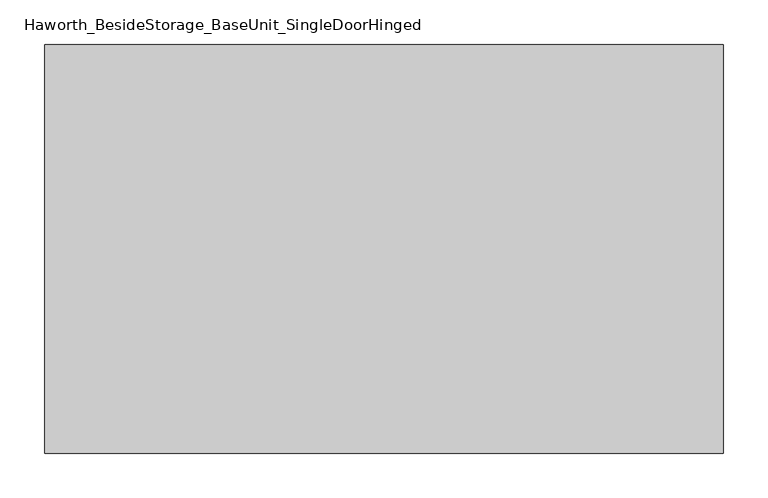
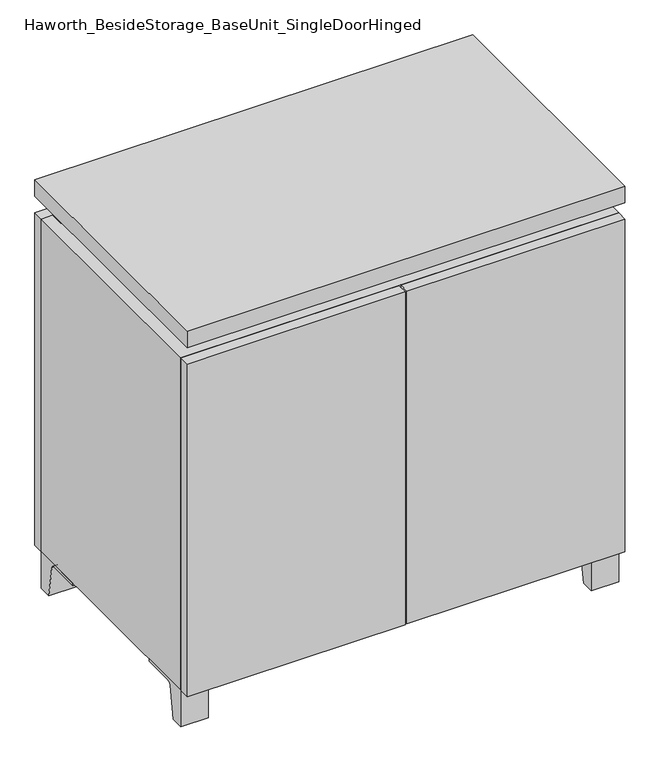
"""IFC4 building model written with IfcOpenShell, lengths in millimetres: furniture geometry, Haworth_BesideStorage_BaseUnit_SingleDoorHinged."""

from ifc_helpers import new_model, si_unit, point, frame, frame_2d, origin, place, context, project, spatial, polyline, circle_curve, trimmed, segment, composite_curve, outline, extrude, faceted_brep, source, transform, mapped, element, save


def haworth_besidestorage_baseunit_singledoorhinged_ce598a40(model_context):
    return source(origin(), model_context, "Body", "SolidModel", [
        extrude(outline(composite_curve([segment(polyline([(-129.6458469, 0.0), (-152.4, 0.0), (-152.4, 66.675), (-57.15, 66.675), (-57.15, 61.8963321), (-113.9505345, 61.8963321)]), True, "CONTINUOUS"), segment(trimmed(circle_curve(frame_2d((-113.9505345, 55.5463321)), 6.35), [point((-113.9505345, 61.8963321))], [point((-120.2141359, 56.5902656))], True, "CARTESIAN"), True, "CONTINUOUS"), segment(polyline([(-120.2141359, 56.5902656), (-129.6458469, 0.0)]), True, "CONTINUOUS")], self_intersect=False)), frame((331.8013906, 0.0, 0.0), z_axis=(1.0, 0.0, 0.0), x_axis=(0.0, 1.0, 0.0)), (0.0, 0.0, 1.0), 47.625),
        extrude(outline(composite_curve([segment(polyline([(243.9458469, 0.0), (234.5141359, 56.5902656)]), True, "CONTINUOUS"), segment(trimmed(circle_curve(frame_2d((228.2505345, 55.5463321)), 6.35), [point((234.5141359, 56.5902656))], [point((228.2505345, 61.8963321))], True, "CARTESIAN"), True, "CONTINUOUS"), segment(polyline([(228.2505345, 61.8963321), (171.45, 61.8963321), (171.45, 66.675), (266.7, 66.675), (266.7, 0.0), (243.9458469, 0.0)]), True, "CONTINUOUS")], self_intersect=False)), frame((331.8013906, 0.0, 0.0), z_axis=(1.0, 0.0, 0.0), x_axis=(0.0, 1.0, 0.0)), (0.0, 0.0, 1.0), 47.625),
        extrude(outline(composite_curve([segment(polyline([(-129.6458469, 0.0), (-152.4, 0.0), (-152.4, 66.675), (-57.15, 66.675), (-57.15, 61.8963321), (-113.9505345, 61.8963321)]), True, "CONTINUOUS"), segment(trimmed(circle_curve(frame_2d((-113.9505345, 55.5463321)), 6.35), [point((-113.9505345, 61.8963321))], [point((-120.2141359, 56.5902656))], True, "CARTESIAN"), True, "CONTINUOUS"), segment(polyline([(-120.2141359, 56.5902656), (-129.6458469, 0.0)]), True, "CONTINUOUS")], self_intersect=False)), frame((-379.3986094, 0.0, 0.0), z_axis=(1.0, 0.0, 0.0), x_axis=(0.0, 1.0, 0.0)), (0.0, 0.0, 1.0), 47.625),
        extrude(outline(composite_curve([segment(polyline([(243.9458469, 0.0), (234.5141359, 56.5902656)]), True, "CONTINUOUS"), segment(trimmed(circle_curve(frame_2d((228.2505345, 55.5463321)), 6.35), [point((234.5141359, 56.5902656))], [point((228.2505345, 61.8963321))], True, "CARTESIAN"), True, "CONTINUOUS"), segment(polyline([(228.2505345, 61.8963321), (171.45, 61.8963321), (171.45, 66.675), (266.7, 66.675), (266.7, 0.0), (243.9458469, 0.0)]), True, "CONTINUOUS")], self_intersect=False)), frame((-379.3986094, 0.0, 0.0), z_axis=(1.0, 0.0, 0.0), x_axis=(0.0, 1.0, 0.0)), (0.0, 0.0, 1.0), 47.625),
        faceted_brep([(-379.3986094, -152.4, 66.675), (379.4125, -152.4, 66.675), (379.4125, -152.4, 676.275), (-379.3986094, -152.4, 676.275), (-360.3486094, -152.4, 85.725), (-360.3486094, -152.4, 657.225), (360.3694453, -152.4, 657.225), (360.3486094, -152.4, 85.725), (-379.3986094, 266.7, 66.675), (-379.3986094, 266.7, 676.275), (-360.3486094, 266.7, 676.275), (-360.3486094, 266.7, 85.725), (360.3486094, 266.7, 85.725), (360.3486094, 266.7, 676.275), (379.4125, 266.7, 676.275), (379.4125, 266.7, 66.675), (360.3486094, 241.3, 676.275), (-360.3416641, 241.3, 676.275), (-360.3486094, 241.3, 657.225), (360.3486094, 241.3, 657.225)], [[[0, 1, 2, 3], [4, 5, 6, 7]], [[8, 9, 10, 11, 12, 13, 14, 15]], [[1, 0, 8, 15]], [[2, 1, 15, 14]], [[3, 2, 14, 13, 16, 17, 10, 9]], [[0, 3, 9, 8]], [[11, 10, 17, 18, 5, 4]], [[13, 12, 7, 6, 19, 16]], [[4, 7, 12, 11]], [[6, 5, 18, 19]], [[17, 16, 19, 18]]]),
        extrude(outline(polyline([(379.4263906, -171.45), (-379.3986094, -171.45), (-379.3986094, 285.75), (379.4263906, 285.75), (379.4263906, -171.45)])), frame((0.0, 0.0, 706.4375), z_axis=(0.0, 0.0, 1.0), x_axis=(1.0, 0.0, 0.0)), (0.0, 0.0, 1.0), 30.1625),
        faceted_brep([(7.9513906, -76.2, 706.4375), (7.9513906, -76.2, 676.275), (7.9513906, 47.625, 676.275), (7.9513906, 47.625, 706.4375), (7.9513906, 190.5, 676.275), (7.9513906, 190.5, 706.4375), (7.9513906, 66.675, 706.4375), (7.9513906, 66.675, 676.275), (-7.9236094, 190.5, 706.4375), (-7.9236094, 190.5, 676.275), (-7.9236094, 66.675, 676.275), (-7.9236094, 66.675, 706.4375), (-7.9236094, -76.2, 676.275), (-7.9236094, -76.2, 706.4375), (-7.9236094, 47.625, 706.4375), (-7.9236094, 47.625, 676.275), (-338.0958281, 66.675, 706.4375), (-338.1166641, 241.3, 706.4375), (-353.9916641, 241.3, 706.4375), (-353.9916641, -127.0, 706.4375), (-338.1166641, -127.0, 706.4375), (-338.1166641, 47.625, 706.4375), (338.1236094, 47.625, 706.4375), (338.1236094, -127.0, 706.4375), (353.9986094, -127.0, 706.4375), (353.9986094, 241.3, 706.4375), (338.1236094, 241.3, 706.4375), (338.1236094, 66.675, 706.4375), (-338.0958281, 47.625, 676.275), (-338.1166641, -127.0, 676.275), (-353.9916641, -127.0, 676.275), (-353.9916641, 241.3, 676.275), (-338.1166641, 241.3, 676.275), (-338.1166641, 66.675, 676.275), (338.1236094, 66.675, 676.275), (338.1236094, 241.3, 676.275), (353.9986094, 241.3, 676.275), (353.9986094, -127.0, 676.275), (338.1236094, -127.0, 676.275), (338.1236094, 47.625, 676.275)], [[[0, 1, 2, 3]], [[4, 5, 6, 7]], [[8, 9, 10, 11]], [[12, 13, 14, 15]], [[5, 8, 11, 16, 17, 18, 19, 20, 21, 14, 13, 0, 3, 22, 23, 24, 25, 26, 27, 6]], [[1, 12, 15, 28, 29, 30, 31, 32, 33, 10, 9, 4, 7, 34, 35, 36, 37, 38, 39, 2]], [[5, 4, 9, 8]], [[1, 0, 13, 12]], [[6, 27, 34, 7]], [[22, 3, 2, 39]], [[20, 29, 28, 21]], [[32, 17, 16, 33]], [[18, 31, 30, 19]], [[29, 20, 19, 30]], [[17, 32, 31, 18]], [[26, 35, 34, 27]], [[38, 23, 22, 39]], [[25, 24, 37, 36]], [[23, 38, 37, 24]], [[35, 26, 25, 36]], [[16, 11, 10, 33]], [[14, 21, 28, 15]]]),
        extrude(outline(polyline([(379.4263906, 266.7), (-379.3986094, 266.7), (-379.3986094, 285.75), (379.4263906, 285.75), (379.4263906, 266.7)])), frame((0.0, 0.0, 66.675), z_axis=(0.0, 0.0, 1.0), x_axis=(1.0, 0.0, 0.0)), (0.0, 0.0, 1.0), 609.6),
        extrude(outline(polyline([(-360.3416641, 196.85), (-360.3416641, 203.2), (360.3694453, 203.2), (360.3694453, 196.85), (-360.3416641, 196.85)])), frame((0.0, 0.0, 85.725), z_axis=(0.0, 0.0, 1.0), x_axis=(1.0, 0.0, 0.0)), (0.0, 0.0, 1.0), 571.5),
        extrude(outline(polyline([(1.6013906, -171.45), (1.6013906, -152.4), (379.4263906, -152.4), (379.4263906, -171.45), (1.6013906, -171.45)])), frame((0.0, 0.0, 66.675), z_axis=(0.0, 0.0, 1.0), x_axis=(1.0, 0.0, 0.0)), (0.0, 0.0, 1.0), 609.6),
        extrude(outline(polyline([(-1.5736094, -171.45), (-379.3986094, -171.45), (-379.3986094, -152.4), (-1.5736094, -152.4), (-1.5736094, -171.45)])), frame((0.0, 0.0, 66.675), z_axis=(0.0, 0.0, 1.0), x_axis=(1.0, 0.0, 0.0)), (0.0, 0.0, 1.0), 609.6),
    ])


if __name__ == "__main__":
    model = new_model("IFC4")
    model_context = context("Model", 3, world=origin())
    ifc_project = project(units=[si_unit("LENGTHUNIT", "METRE", prefix="MILLI")], contexts=[model_context])
    site = spatial("IfcSite", under=ifc_project)
    building = spatial("IfcBuilding", under=site)
    placement = place(None, origin())
    haworth_besidestorage_baseunit_singledoorhinged_shape = haworth_besidestorage_baseunit_singledoorhinged_ce598a40(model_context)
    element("IfcFurniture", 1, ObjectType="Haworth_BesideStorage_BaseUnit_SingleDoorHinged", at=placement, inside=building, context=model_context, shape_type="MappedRepresentation", body=[
        mapped(haworth_besidestorage_baseunit_singledoorhinged_shape, transform((0.0, 0.0, 0.0), x_axis=(1.0, 0.0, 0.0), y_axis=(0.0, 1.0, 0.0), z_axis=(0.0, 0.0, 1.0))),
    ])
    save(model, "model.ifc")
